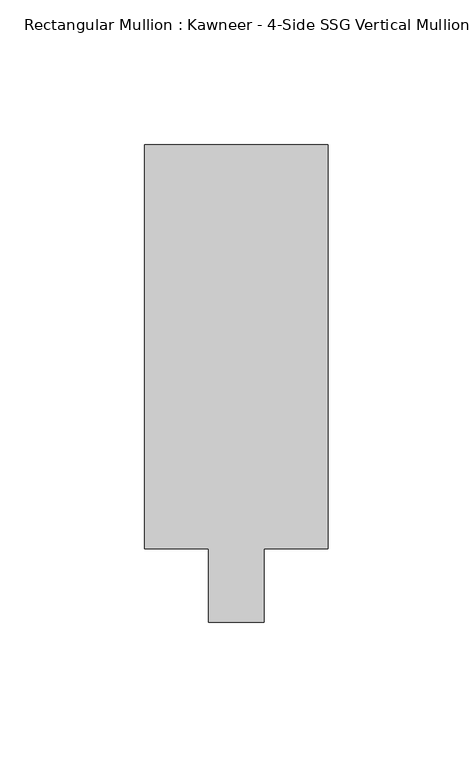
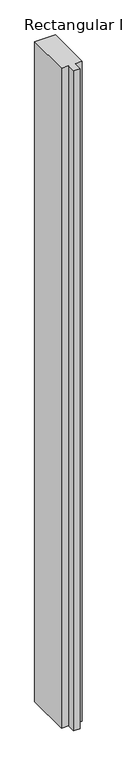
"""IFC4 building model written with IfcOpenShell, lengths in millimetres: member geometry."""

from ifc_helpers import new_model, si_unit, frame, origin, place, context, project, spatial, polyline, outline, extrude, source, transform, mapped, element, save


def member_186b9813(model_context):
    return source(origin(), model_context, "Body", "SweptSolid", [
        extrude(outline(polyline([(-31.75, 152.399995), (31.75, 152.399995), (31.75, 12.7), (9.5251132, 12.7), (9.5251132, -12.7), (-9.5251132, -12.7), (-9.5251132, 12.7), (-31.75, 12.7), (-31.75, 152.399995)])), frame((0.0, 0.0, -2113.59299), z_axis=(0.0, 0.0, 1.0), x_axis=(1.0, 0.0, 0.0)), (0.0, 0.0, 1.0), 2113.59299),
    ])


if __name__ == "__main__":
    model = new_model("IFC4")
    model_context = context("Model", 3, world=origin())
    ifc_project = project(units=[si_unit("LENGTHUNIT", "METRE", prefix="MILLI")], contexts=[model_context])
    site = spatial("IfcSite", under=ifc_project)
    building = spatial("IfcBuilding", under=site)
    placement = place(None, origin())
    member_shape = member_186b9813(model_context)
    element("IfcMember", 1, ObjectType="Rectangular Mullion : Kawneer - 4-Side SSG Vertical Mullion - 6 1/2\"", at=placement, inside=building, context=model_context, shape_type="MappedRepresentation", body=[
        mapped(member_shape, transform((0.0, 0.0, 0.0), x_axis=(1.0, 0.0, 0.0), y_axis=(0.0, 1.0, 0.0), z_axis=(0.0, 0.0, 1.0))),
    ])
    save(model, "model.ifc")
